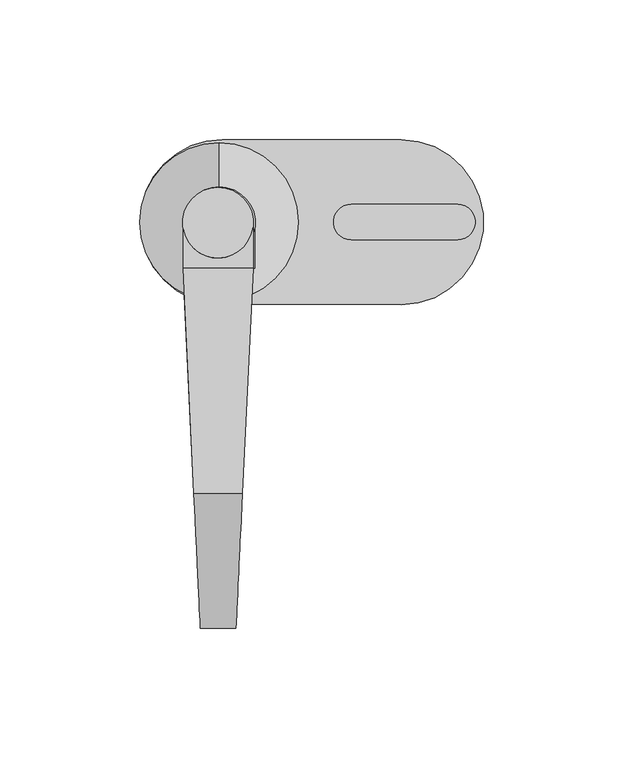
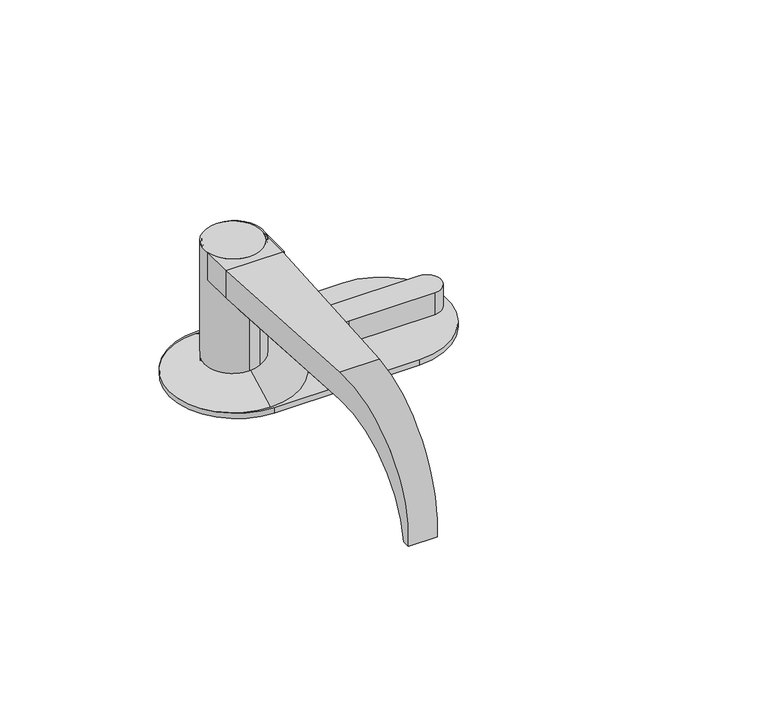
"""IFC4 building model written with IfcOpenShell, lengths in millimetres: proxy geometry."""

from ifc_helpers import new_model, si_unit, point, frame, frame_2d, origin, origin_with_axes, place, context, project, spatial, polyline, circle_curve, ellipse_curve, trimmed, segment, composite_curve, outline, extrude, source, transform, mapped, element, save
from ifc_brep_helpers import plane_surface, cylinder_surface, revolved_surface, advanced_brep


def security_devices_b0bf361a(model_context):
    return source(origin(), model_context, "Body", "SolidModel", [
        advanced_brep(
        [(-8.990533, -97.004577, 50.7997), (-12.8497447, -16.4676806, 50.7997), (12.2048245, -16.4751801, 50.7997), (8.3459721, -97.004577, 50.7997), (-12.8493853, -16.4751801, 63.4997), (12.2048245, -16.4751801, 63.4997), (-8.990533, -97.004577, 63.4997), (8.3459721, -97.004577, 63.4997), (-6.6722804, -145.383592, 19.1808168), (-6.6722804, -145.383592, 10.688597), (6.0277196, -145.383592, 10.688597), (6.0277196, -145.383592, 19.1808168), (-6.8258768, -142.1782295, 10.688597), (6.1813159, -142.1782295, 10.688597)],
        [
            (0, 1),
            (1, 2),
            (2, 3),
            (3, 0),
            (1, 4),
            (4, 5),
            (5, 2),
            (4, 6),
            (6, 7),
            (7, 5),
            (6, 8, ellipse_curve(frame((-8.990533, -97.004577, 14.9347069), z_axis=(0.9988538794169153, 0.047863635191850405, 0.0), x_axis=(-0.047863635191848275, 0.9988538794169153, 1.4829133505031355e-11)), 48.6207182, 48.564993)),
            (8, 9, circle_curve(frame((-6.6722804, -97.004577, 14.9347069), z_axis=(1.0, 0.0, 0.0), x_axis=(0.0, -1.0, 0.0)), 48.564993)),
            (9, 10),
            (10, 11, circle_curve(frame((6.0277196, -97.004577, 14.9347069), z_axis=(-1.0, 0.0, 0.0), x_axis=(0.0, -1.0, 0.0)), 48.564993)),
            (11, 7, ellipse_curve(frame((8.3459721, -97.004577, 14.9347069), z_axis=(-0.9988538794169146, 0.04786363519186604, 0.0), x_axis=(-0.047863635191861674, -0.9988538794169146, 1.4829526703403655e-11)), 48.6207182, 48.564993)),
            (9, 12),
            (12, 13),
            (13, 10),
            (3, 13, ellipse_curve(frame((8.3459721, -97.004577, 5.3065672), z_axis=(0.9988538794169146, -0.04786363519186604, 0.0), x_axis=(0.047863635191861674, 0.9988538794169146, -1.4829526703403655e-11)), 45.5453332, 45.4931328)),
            (12, 0, ellipse_curve(frame((-8.990533, -97.004577, 5.3065672), z_axis=(-0.9988538794169153, -0.047863635191850405, 0.0), x_axis=(0.047863635191848275, -0.9988538794169153, -1.4829133505031355e-11)), 45.5453332, 45.4931328)),
            (9, 8),
            (10, 11),
        ],
        [
            plane_surface(frame((-13.0062506, -97.004577, 50.7997), z_axis=(0.0, 0.0, -1.0), x_axis=(1.0, 0.0, 0.0))),
            plane_surface(frame((-13.0062506, -16.4751801, 50.7997), z_axis=(0.0, 1.0, 0.0), x_axis=(1.0, 0.0, 0.0))),
            plane_surface(frame((-13.0062506, -16.4751801, 63.4997), z_axis=(0.0, 0.0, 1.0), x_axis=(1.0, 0.0, 0.0))),
            cylinder_surface(frame((12.3937494, -97.004577, 14.9347069), z_axis=(-1.0, 0.0, 0.0), x_axis=(0.0, -1.0, 0.0)), 48.564993),
            plane_surface(frame((-13.0062506, -145.383592, 10.688597), z_axis=(0.0, 0.0, -1.0), x_axis=(1.0, 0.0, 0.0))),
            revolved_surface(polyline([(10.525937312976584, -142.4977098, 5.3065672), (-11.170498212975975, -142.4977098, 5.3065672)]), (12.3937494, -97.004577, 5.3065672), (1.0, 0.0, 0.0)),
            plane_surface(frame((-13.6325766, -0.1309626, 66.7497141), z_axis=(-0.9988538794169153, -0.047863635191850405, 0.0), x_axis=(0.0, 0.0, -1.0))),
            plane_surface(frame((-6.6722804, -145.383592, 66.7497141), z_axis=(-1.0, 0.0, 0.0), x_axis=(0.0, 0.0, -1.0))),
            plane_surface(frame((6.0277196, -148.5684906, 66.7497141), z_axis=(1.0, 0.0, 0.0), x_axis=(0.0, 0.0, -1.0))),
            plane_surface(frame((6.0277196, -145.383592, 66.7497141), z_axis=(0.9988538794169146, -0.04786363519186604, 0.0), x_axis=(0.0, 0.0, -1.0))),
        ],
        [
            (0, [[1, 2, 3, 4]]),
            (1, [[5, 6, 7, -2]]),
            (2, [[8, 9, 10, -6]]),
            (3, [[11, 12, 13, 14, 15, -9]]),
            (4, [[16, 17, 18, -13]]),
            (5, [[19, -17, 20, -4]]),
            (6, [[-11, -8, -5, -1, -20, -16, 21]]),
            (7, [[-12, -21]]),
            (8, [[-14, 22]]),
            (9, [[-18, -19, -3, -7, -10, -15, -22]]),
        ],
    ),
        advanced_brep(
        [(-12.3937494, -16.4751801, 50.7997), (-12.3937494, -25.9837294, 50.7997), (-12.3937494, -25.9837294, 63.4997), (-12.3937494, -16.4751801, 63.4997), (12.2048245, -16.4751801, 50.7997), (8.3459721, -97.004577, 50.7997), (-8.990533, -97.004577, 50.7997), (12.2048245, -16.4751801, 63.4997), (-8.990533, -97.004577, 63.4997), (8.3459721, -97.004577, 63.4997), (-6.6722804, -145.383592, 19.1808168), (-6.6722804, -145.383592, 10.688597), (6.0277196, -145.383592, 10.688597), (6.0277196, -145.383592, 19.1808168), (-6.8258768, -142.1782295, 10.688597), (6.1813159, -142.1782295, 10.688597)],
        [
            (0, 1),
            (1, 2),
            (2, 3),
            (3, 0),
            (0, 4),
            (4, 5),
            (5, 6),
            (6, 1),
            (3, 7),
            (7, 4),
            (2, 8),
            (8, 9),
            (9, 7),
            (8, 10, ellipse_curve(frame((-8.990533, -97.004577, 14.9347069), z_axis=(0.9988538794169153, 0.047863635191850405, 0.0), x_axis=(0.047863635191848594, -0.9988538794169154, 0.0)), 48.6207182, 48.564993)),
            (10, 11, circle_curve(frame((-6.6722804, -97.004577, 14.9347069), z_axis=(1.0, 0.0, 0.0), x_axis=(0.0, -1.0, 0.0)), 48.564993)),
            (11, 12),
            (12, 13, circle_curve(frame((6.0277196, -97.004577, 14.9347069), z_axis=(-1.0, 0.0, 0.0), x_axis=(0.0, -1.0, 0.0)), 48.564993)),
            (13, 9, ellipse_curve(frame((8.3459721, -97.004577, 14.9347069), z_axis=(-0.9988538794169146, 0.04786363519186604, 0.0), x_axis=(0.04786363519186136, 0.9988538794169147, 0.0)), 48.6207182, 48.564993)),
            (11, 14),
            (14, 15),
            (15, 12),
            (14, 6, ellipse_curve(frame((-8.990533, -97.004577, 5.3065672), z_axis=(-0.9988538794169153, -0.047863635191850405, 0.0), x_axis=(-0.047863635191848594, 0.9988538794169154, 0.0)), 45.5453332, 45.4931328)),
            (5, 15, ellipse_curve(frame((8.3459721, -97.004577, 5.3065672), z_axis=(0.9988538794169146, -0.04786363519186604, 0.0), x_axis=(-0.04786363519186136, -0.9988538794169147, 0.0)), 45.5453332, 45.4931328)),
            (11, 10),
            (12, 13),
        ],
        [
            plane_surface(frame((-12.3937494, -142.4977097, 5.3065672), z_axis=(-1.0, 0.0, 0.0), x_axis=(0.0, 0.0, 1.0))),
            plane_surface(frame((13.0062506, -16.4751801, 50.7997), z_axis=(0.0, 0.0, -1.0), x_axis=(-1.0, 0.0, 0.0))),
            plane_surface(frame((13.0062506, -16.4751801, 63.4997), z_axis=(0.0, 1.0, 0.0), x_axis=(-1.0, 0.0, 0.0))),
            plane_surface(frame((13.0062506, -97.004577, 63.4997), z_axis=(0.0, 0.0, 1.0), x_axis=(-1.0, 0.0, 0.0))),
            cylinder_surface(frame((-12.3937494, -97.004577, 14.9347069), z_axis=(1.0, 0.0, 0.0), x_axis=(0.0, -1.0, 0.0)), 48.564993),
            plane_surface(frame((13.0062506, -142.1782295, 10.688597), z_axis=(0.0, 0.0, -1.0), x_axis=(-1.0, 0.0, 0.0))),
            revolved_surface(polyline([(-11.170498212975989, -142.4977098, 5.3065672), (10.525937312976573, -142.4977098, 5.3065672)]), (-12.3937494, -97.004577, 5.3065672), (-1.0, 0.0, 0.0)),
            plane_surface(frame((-13.6325766, -0.1309626, 66.7497141), z_axis=(-0.9988538794169153, -0.047863635191850405, 0.0), x_axis=(0.0, 0.0, -1.0))),
            plane_surface(frame((-6.6722804, -145.383592, 66.7497141), z_axis=(-1.0, 0.0, 0.0), x_axis=(0.0, 0.0, -1.0))),
            plane_surface(frame((6.0277196, -148.5684906, 66.7497141), z_axis=(1.0, 0.0, 0.0), x_axis=(0.0, 0.0, -1.0))),
            plane_surface(frame((6.0277196, -145.383592, 66.7497141), z_axis=(0.9988538794169146, -0.04786363519186604, 0.0), x_axis=(0.0, 0.0, -1.0))),
        ],
        [
            (0, [[1, 2, 3, 4]]),
            (1, [[5, 6, 7, 8, -1]]),
            (2, [[9, 10, -5, -4]]),
            (3, [[11, 12, 13, -9, -3]]),
            (4, [[14, 15, 16, 17, 18, -12]]),
            (5, [[19, 20, 21, -16]]),
            (6, [[22, -7, 23, -20]]),
            (7, [[-14, -11, -2, -8, -22, -19, 24]]),
            (8, [[-15, -24]]),
            (9, [[-17, 25]]),
            (10, [[-21, -23, -6, -10, -13, -18, -25]]),
        ],
    ),
        extrude(outline(composite_curve([segment(trimmed(circle_curve(frame_2d((47.3153852, 0.1083977)), 6.35), [point((47.3102802, -6.2416002))], [point((47.3204902, 6.4583957))], False, "CARTESIAN"), True, "CONTINUOUS"), segment(polyline([(47.3204902, 6.4583957), (85.4204779, 6.4277656)]), True, "CONTINUOUS"), segment(trimmed(circle_curve(frame_2d((85.4153729, 0.0777677)), 6.35), [point((85.4204779, 6.4277656))], [point((85.4102679, -6.2722303))], False, "CARTESIAN"), True, "CONTINUOUS"), segment(polyline([(85.4102679, -6.2722303), (47.3102802, -6.2416002)]), True, "CONTINUOUS")], self_intersect=False)), frame((0.0, 0.0, 2.5000211), z_axis=(0.0, 0.0, 1.0), x_axis=(1.0, 0.0, 0.0)), (0.0, 0.0, 1.0), 10.1999789),
        extrude(outline(composite_curve([segment(polyline([(-12.8493853, -16.4751801), (-12.8493853, -2.5826845)]), True, "CONTINUOUS"), segment(trimmed(circle_curve(frame_2d((-0.3812323, -0.167077)), 12.7), [point((-12.8493853, -2.5826845))], [point((12.2048245, -1.8644794))], True, "CARTESIAN"), True, "CONTINUOUS"), segment(polyline([(12.2048245, -1.8644794), (12.2048245, -16.4751801), (-12.8493853, -16.4751801)]), True, "CONTINUOUS")], self_intersect=False)), frame((0.0, 0.0, 50.7997), z_axis=(0.0, 0.0, 1.0), x_axis=(1.0, 0.0, 0.0)), (0.0, 0.0, 1.0), 12.7),
        extrude(outline(composite_curve([segment(trimmed(circle_curve(frame_2d((-0.3812323, -0.167077)), 12.7), [point((-0.3812323, -12.867077))], [point((-0.3812323, 12.532923))], False, "CARTESIAN"), True, "CONTINUOUS"), segment(trimmed(circle_curve(frame_2d((-0.3812323, -0.167077)), 12.7), [point((-0.3812323, 12.532923))], [point((-0.3812323, -12.867077))], False, "CARTESIAN"), True, "CONTINUOUS")], self_intersect=False)), frame((0.0, 0.0, 4.7622), z_axis=(0.0, 0.0, 1.0), x_axis=(1.0, 0.0, 0.0)), (0.0, 0.0, 1.0), 58.7375),
        advanced_brep(
        [(0.0, 12.7, 10.688597), (0.0, -12.7, 10.688597), (0.0, 28.4260422, 2.5000211), (0.0, -28.4260422, 2.5000211)],
        [
            (0, 1, circle_curve(frame((0.0, 0.0, 10.688597), z_axis=(0.0, 0.0, 1.0), x_axis=(0.0, -1.0, 0.0)), 12.7)),
            (1, 0, circle_curve(frame((0.0, 0.0, 10.688597), z_axis=(0.0, 0.0, 1.0), x_axis=(0.0, 1.0, 0.0)), 12.7)),
            (2, 3, circle_curve(frame((0.0, 0.0, 2.5000211), z_axis=(0.0, 0.0, -1.0), x_axis=(0.0, 1.0, 0.0)), 28.4260422)),
            (3, 2, circle_curve(frame((0.0, 0.0, 2.5000211), z_axis=(0.0, 0.0, -1.0), x_axis=(0.0, -1.0, 0.0)), 28.4260422)),
            (2, 0),
            (1, 3),
        ],
        [
            plane_surface(frame((0.0, 0.0, 10.688597), z_axis=(0.0, 0.0, 1.0), x_axis=(1.0, 0.0, 0.0))),
            plane_surface(frame((0.0, 0.0, 2.5000211), z_axis=(0.0, 0.0, -1.0), x_axis=(1.0, 0.0, 0.0))),
            revolved_surface(polyline([(0.0, 12.700000025378246, 10.688597), (0.0, 28.4260422, 2.5000210999999997)]), (0.0, 0.0, 17.3015078), (0.0, 0.0, -1.0)),
            revolved_surface(polyline([(0.0, -12.700000025378246, 10.688597), (0.0, -28.4260422, 2.5000210999999997)]), (0.0, 0.0, 17.3015078), (0.0, 0.0, -1.0)),
        ],
        [
            (0, [[1, 2]]),
            (1, [[3, 4]]),
            (2, [[5, -2, 6, -3]]),
            (3, [[-6, -1, -5, -4]]),
        ],
    ),
        extrude(outline(composite_curve([segment(trimmed(circle_curve(frame_2d((65.1886615, 0.0341513)), 29.5), [point((65.2123777, 29.5341418))], [point((65.1649454, -29.4658391))], False, "CARTESIAN"), True, "CONTINUOUS"), segment(polyline([(65.1649454, -29.4658391), (1.164966, -29.4143871)]), True, "CONTINUOUS"), segment(trimmed(circle_curve(frame_2d((1.1886822, 0.0856034)), 29.5), [point((1.164966, -29.4143871))], [point((1.2123984, 29.5855938))], False, "CARTESIAN"), True, "CONTINUOUS"), segment(polyline([(1.2123984, 29.5855938), (65.2123777, 29.5341418)]), True, "CONTINUOUS")], self_intersect=False)), origin_with_axes(), (0.0, 0.0, 1.0), 2.5000211),
        extrude(outline(composite_curve([segment(polyline([(12.8493853, -16.4751801), (-12.2048245, -16.4751801), (-12.2048245, -1.8644794)]), True, "CONTINUOUS"), segment(trimmed(circle_curve(frame_2d((0.3812323, -0.167077)), 12.7), [point((-12.2048245, -1.8644794))], [point((12.8493853, -2.5826845))], True, "CARTESIAN"), True, "CONTINUOUS"), segment(polyline([(12.8493853, -2.5826845), (12.8493853, -16.4751801)]), True, "CONTINUOUS")], self_intersect=False)), frame((0.0, 0.0, 50.7997), z_axis=(0.0, 0.0, 1.0), x_axis=(1.0, 0.0, 0.0)), (0.0, 0.0, 1.0), 12.7),
        extrude(outline(composite_curve([segment(trimmed(circle_curve(frame_2d((0.3812323, -0.167077)), 12.7), [point((0.3812323, -12.867077))], [point((0.3812323, 12.532923))], False, "CARTESIAN"), True, "CONTINUOUS"), segment(trimmed(circle_curve(frame_2d((0.3812323, -0.167077)), 12.7), [point((0.3812323, 12.532923))], [point((0.3812323, -12.867077))], False, "CARTESIAN"), True, "CONTINUOUS")], self_intersect=False)), frame((0.0, 0.0, 4.7622), z_axis=(0.0, 0.0, 1.0), x_axis=(1.0, 0.0, 0.0)), (0.0, 0.0, 1.0), 58.7375),
        advanced_brep(
        [(0.0, 12.7, 10.688597), (0.0, -12.7, 10.688597), (0.0, 28.4260422, 2.5000211), (0.0, -28.4260422, 2.5000211)],
        [
            (0, 1, circle_curve(frame((0.0, 0.0, 10.688597), z_axis=(0.0, 0.0, 1.0), x_axis=(0.0, -1.0, 0.0)), 12.7)),
            (1, 0, circle_curve(frame((0.0, 0.0, 10.688597), z_axis=(0.0, 0.0, 1.0), x_axis=(0.0, 1.0, 0.0)), 12.7)),
            (2, 3, circle_curve(frame((0.0, 0.0, 2.5000211), z_axis=(0.0, 0.0, -1.0), x_axis=(0.0, 1.0, 0.0)), 28.4260422)),
            (3, 2, circle_curve(frame((0.0, 0.0, 2.5000211), z_axis=(0.0, 0.0, -1.0), x_axis=(0.0, -1.0, 0.0)), 28.4260422)),
            (3, 1),
            (0, 2),
        ],
        [
            plane_surface(frame((0.0, 0.0, 10.688597), z_axis=(0.0, 0.0, 1.0), x_axis=(1.0, 0.0, 0.0))),
            plane_surface(frame((0.0, 0.0, 2.5000211), z_axis=(0.0, 0.0, -1.0), x_axis=(1.0, 0.0, 0.0))),
            revolved_surface(polyline([(0.0, -12.700000025378246, 10.688597), (0.0, -28.4260422, 2.5000210999999997)]), (0.0, 0.0, 17.3015078), (0.0, 0.0, -1.0)),
            revolved_surface(polyline([(0.0, 12.700000025378246, 10.688597), (0.0, 28.4260422, 2.5000210999999997)]), (0.0, 0.0, 17.3015078), (0.0, 0.0, -1.0)),
        ],
        [
            (0, [[1, 2]]),
            (1, [[3, 4]]),
            (2, [[5, -1, 6, -4]]),
            (3, [[-6, -2, -5, -3]]),
        ],
    ),
    ])


if __name__ == "__main__":
    model = new_model("IFC4")
    model_context = context("Model", 3, world=origin())
    ifc_project = project(units=[si_unit("LENGTHUNIT", "METRE", prefix="MILLI")], contexts=[model_context])
    site = spatial("IfcSite", under=ifc_project)
    building = spatial("IfcBuilding", under=site)
    placement = place(None, origin())
    security_devices_shape = security_devices_b0bf361a(model_context)
    element("IfcBuildingElementProxy", 1, Name="Security Devices", at=placement, inside=building, context=model_context, shape_type="MappedRepresentation", body=[
        mapped(security_devices_shape, transform((0.0, 0.0, 0.0), x_axis=(1.0, 0.0, 0.0), y_axis=(0.0, 1.0, 0.0), z_axis=(0.0, 0.0, 1.0))),
    ])
    save(model, "model.ifc")
